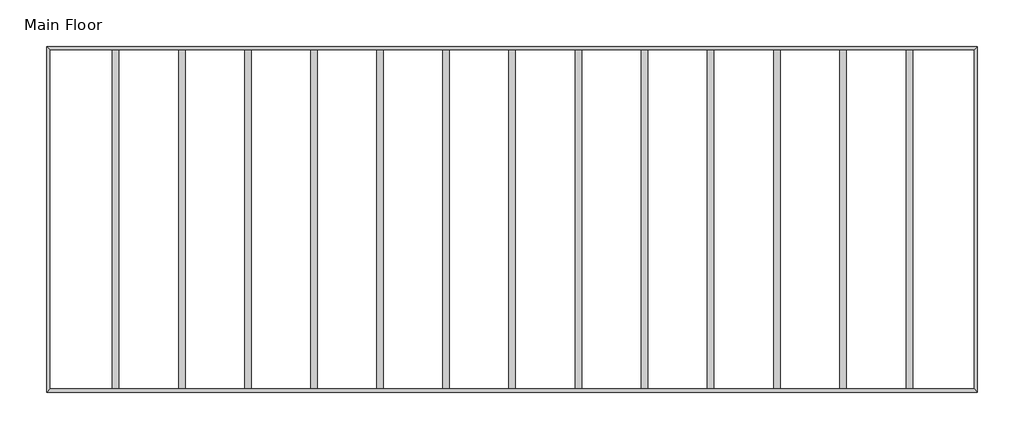
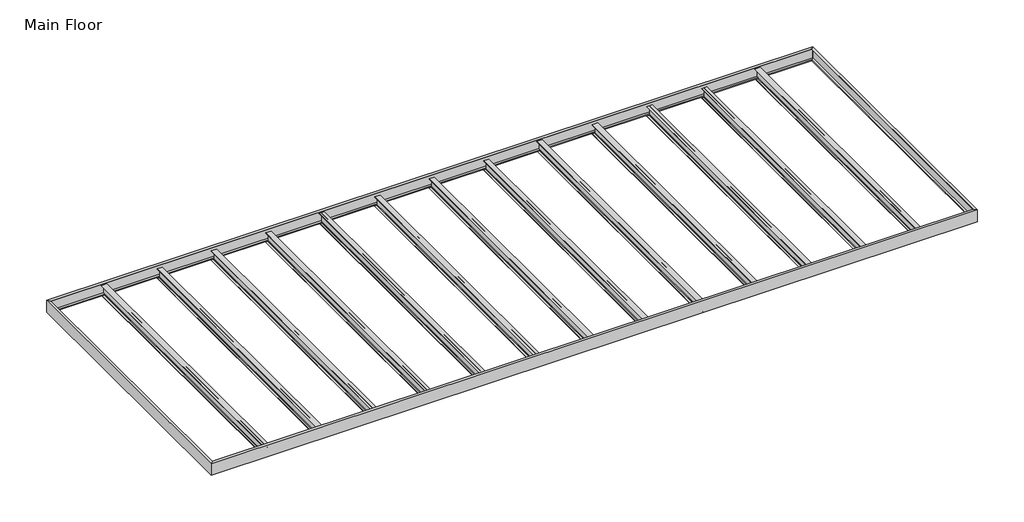
# One storey: 17 beams.
"""IFC4 building model written with IfcOpenShell, lengths in millimetres."""

import ifcopenshell
import ifcopenshell.guid

model = None  # the IFC model being written
_history = None  # IfcOwnerHistory: only IFC2X3 demands one
_inside = {}  # id of a spatial element -> (the spatial element, [elements in it])
_under = {}  # id of a project, library or spatial element -> (it, [spatial elements below it])
_declared = {}  # id of a project -> (the project, [libraries it declares])
_typed = {}  # id of a type object -> (the type object, [elements of that type])
_made_of = {}  # id of a material, layer set ... -> (it, [elements and type objects made of it])


def new_model(schema):
    """Start an empty IFC model of exactly this schema.

    Asked for "IFC4X3", IfcOpenShell would pick the latest addendum, in which some entities
    have other attributes; the version numbers below select the first issue.
    IFC2X3 requires an IfcOwnerHistory on every rooted entity: one is made here for all.
    """
    global model, _history
    if schema == "IFC4X3":
        model = ifcopenshell.file(schema_version=(4, 3, 0, 0))
    else:
        model = ifcopenshell.file(schema=schema)
    _inside.clear()
    _under.clear()
    _declared.clear()
    _typed.clear()
    _made_of.clear()
    _history = None
    if model.schema == "IFC2X3":
        org = make("IfcOrganization", Name="unknown")
        user = make(
            "IfcPersonAndOrganization",
            ThePerson=make("IfcPerson", FamilyName="unknown"),
            TheOrganization=org,
        )
        app = make(
            "IfcApplication",
            ApplicationDeveloper=org,
            Version="unknown",
            ApplicationFullName="unknown",
            ApplicationIdentifier="unknown",
        )
        _history = make(
            "IfcOwnerHistory",
            OwningUser=user,
            OwningApplication=app,
            ChangeAction="ADDED",
            CreationDate=0,
        )
    return model


def make(cls, **values):
    """One entity of the class cls with the attributes given. An attribute that is None is left unset."""
    return model.create_entity(
        cls, **{name: value for name, value in values.items() if value is not None}
    )


def rooted(cls, **values):
    """An entity with a GlobalId (a new one), such as an element, a storey or a relation."""
    return make(cls, GlobalId=ifcopenshell.guid.new(), OwnerHistory=_history, **values)


def si_unit(unit_type, name, prefix=None):
    """IfcSIUnit, for example si_unit("LENGTHUNIT", "METRE", prefix="MILLI")."""
    return make("IfcSIUnit", UnitType=unit_type, Prefix=prefix, Name=name)


def assignment(units):
    """IfcUnitAssignment: the units of a project."""
    return None if units is None else make("IfcUnitAssignment", Units=units)


def point(xyz):
    """IfcCartesianPoint."""
    return None if xyz is None else make("IfcCartesianPoint", Coordinates=xyz)


def direction(xyz):
    """IfcDirection."""
    return None if xyz is None else make("IfcDirection", DirectionRatios=xyz)


def frame(location, z_axis=None, x_axis=None):
    """IfcAxis2Placement3D, a coordinate frame: its origin and axes. An axis left out is left unset."""
    return make(
        "IfcAxis2Placement3D",
        Location=point(location),
        Axis=direction(z_axis),
        RefDirection=direction(x_axis),
    )


def frame_2d(location, x_axis=None):
    """IfcAxis2Placement2D, a coordinate frame in the plane: its origin and x axis."""
    return make(
        "IfcAxis2Placement2D", Location=point(location), RefDirection=direction(x_axis)
    )


def origin():
    """The frame at (0, 0, 0) with its axes left unset."""
    return frame((0.0, 0.0, 0.0))


def place(relative_to, where):
    """IfcLocalPlacement: puts the frame where relative to a parent placement (None: the world)."""
    return make(
        "IfcLocalPlacement", PlacementRelTo=relative_to, RelativePlacement=where
    )


def context(
    kind, dimensions, precision=None, world=None, true_north=None, identifier=None
):
    """IfcGeometricRepresentationContext, for example the 3D "Model" context."""
    return make(
        "IfcGeometricRepresentationContext",
        ContextIdentifier=identifier,
        ContextType=kind,
        CoordinateSpaceDimension=dimensions,
        Precision=precision,
        WorldCoordinateSystem=world,
        TrueNorth=true_north,
    )


def project(units=None, contexts=None):
    """IfcProject with its units and contexts."""
    return rooted(
        "IfcProject",
        Name="project",
        RepresentationContexts=contexts,
        UnitsInContext=assignment(units),
    )


def spatial(cls, under=None, at=None, **own):
    """A site, building, storey or space (cls), placed at a placement, below another one or the project."""
    s = rooted(cls, ObjectPlacement=at, **own)
    if under is not None:
        _under.setdefault(under.id(), (under, []))[1].append(s)
    return s


def polyline(points):
    """IfcPolyline through the points."""
    return make("IfcPolyline", Points=[point(p) for p in points])


def circle_curve(where, radius):
    """IfcCircle in the frame where."""
    return make("IfcCircle", Position=where, Radius=radius)


def ellipse_curve(where, semi_axis1, semi_axis2):
    """IfcEllipse in the frame where."""
    return make(
        "IfcEllipse", Position=where, SemiAxis1=semi_axis1, SemiAxis2=semi_axis2
    )


def trimmed(basis, trim1, trim2, sense, master):
    """IfcTrimmedCurve: the piece of a basis curve between two trims."""
    return make(
        "IfcTrimmedCurve",
        BasisCurve=basis,
        Trim1=trim1,
        Trim2=trim2,
        SenseAgreement=sense,
        MasterRepresentation=master,
    )


def segment(curve, same_sense, transition):
    """IfcCompositeCurveSegment."""
    return make(
        "IfcCompositeCurveSegment",
        Transition=transition,
        SameSense=same_sense,
        ParentCurve=curve,
    )


def composite_curve(segments, self_intersect=None):
    """IfcCompositeCurve: segments joined end to end."""
    return make("IfcCompositeCurve", Segments=segments, SelfIntersect=self_intersect)


def outline(outer, holes=None, kind="AREA"):
    """IfcArbitraryClosedProfileDef: a profile drawn as a closed curve; with holes, ...WithVoids."""
    if holes is None:
        return make("IfcArbitraryClosedProfileDef", ProfileType=kind, OuterCurve=outer)
    return make(
        "IfcArbitraryProfileDefWithVoids",
        ProfileType=kind,
        OuterCurve=outer,
        InnerCurves=holes,
    )


def extrude(swept, where, along, depth):
    """IfcExtrudedAreaSolid: the profile swept, set in the frame where, extruded along a direction by depth."""
    return make(
        "IfcExtrudedAreaSolid",
        SweptArea=swept,
        Position=where,
        ExtrudedDirection=direction(along),
        Depth=depth,
    )


def shape(context_of_items, identifier, shape_type, items):
    """IfcShapeRepresentation: the items that make up one representation, for example the "Body"."""
    return make(
        "IfcShapeRepresentation",
        ContextOfItems=context_of_items,
        RepresentationIdentifier=identifier,
        RepresentationType=shape_type,
        Items=items,
    )


def source(mapping_origin, context_of_items, identifier, shape_type, items):
    """IfcRepresentationMap: a shape defined once, which mapped items show again and again."""
    return make(
        "IfcRepresentationMap",
        MappingOrigin=mapping_origin,
        MappedRepresentation=shape(context_of_items, identifier, shape_type, items),
    )


def transform(
    local_origin,
    x_axis=None,
    y_axis=None,
    z_axis=None,
    scale=None,
    scale2=None,
    scale3=None,
    uniform=True,
):
    """IfcCartesianTransformationOperator3D, or its non-uniform kind. x_axis, y_axis, z_axis: its Axis1, 2, 3."""
    if uniform:
        return make(
            "IfcCartesianTransformationOperator3D",
            Axis1=direction(x_axis),
            Axis2=direction(y_axis),
            LocalOrigin=point(local_origin),
            Scale=scale,
            Axis3=direction(z_axis),
        )
    return make(
        "IfcCartesianTransformationOperator3DnonUniform",
        Axis1=direction(x_axis),
        Axis2=direction(y_axis),
        LocalOrigin=point(local_origin),
        Scale=scale,
        Axis3=direction(z_axis),
        Scale2=scale2,
        Scale3=scale3,
    )


def mapped(mapping_source, mapping_target):
    """IfcMappedItem: shows the shape of a source again, moved by a transform."""
    return make(
        "IfcMappedItem", MappingSource=mapping_source, MappingTarget=mapping_target
    )


def made_of(thing, what):
    """Note that an element or type object is made of a material, layer set ...; save() writes the relation."""
    if what is not None:
        _made_of.setdefault(what.id(), (what, []))[1].append(thing)
    return thing


def element(
    cls,
    number,
    at=None,
    inside=None,
    cuts=None,
    type_object=None,
    material=None,
    context=None,
    identifier="Body",
    shape_type=None,
    held_by="IfcProductDefinitionShape",
    body=None,
    shapes=None,
    **own,
):
    """One element of the class cls, such as IfcWall. Its Tag is "e" and its number.

    at: its placement. inside: the storey or other place that contains it. cuts: it is an
    opening in that element (IfcRelVoidsElement). A single representation is given by context,
    identifier, shape_type and body (its items); several are given by shapes. held_by: the class
    of the entity that holds the representations. save() writes the other relations.
    """
    e = rooted(cls, Tag="e%d" % number, ObjectPlacement=at, **own)
    if body is not None:
        shapes = [shape(context, identifier, shape_type, body)]
    if shapes is not None:
        e.Representation = make(held_by, Representations=shapes)
    if inside is not None:
        _inside.setdefault(inside.id(), (inside, []))[1].append(e)
    if cuts is not None:
        rooted(
            "IfcRelVoidsElement", RelatingBuildingElement=cuts, RelatedOpeningElement=e
        )
    if type_object is not None:
        _typed.setdefault(type_object.id(), (type_object, []))[1].append(e)
    return made_of(e, material)


def aggregate(whole, parts):
    """IfcRelAggregates: a whole, such as a stair, and the parts it consists of."""
    return rooted("IfcRelAggregates", RelatingObject=whole, RelatedObjects=parts)


def save(model, path):
    """Write the relations noted so far, then the file.

    IfcRelAggregates (storeys below a building ...), IfcRelContainedInSpatialStructure (elements
    in a storey), IfcRelDefinesByType, IfcRelAssociatesMaterial and IfcRelDeclares: one each for
    every whole, place, type object, material and project.
    """
    for whole, parts in _under.values():
        aggregate(whole, parts)
    for where, things in _inside.values():
        rooted(
            "IfcRelContainedInSpatialStructure",
            RelatedElements=things,
            RelatingStructure=where,
        )
    for kind, things in _typed.values():
        rooted("IfcRelDefinesByType", RelatedObjects=things, RelatingType=kind)
    for what, things in _made_of.values():
        rooted("IfcRelAssociatesMaterial", RelatedObjects=things, RelatingMaterial=what)
    for by, libraries in _declared.values():
        rooted("IfcRelDeclares", RelatingContext=by, RelatedDefinitions=libraries)
    model.write(path)


def plane_surface(at):
    """IfcPlane: the flat surface through the origin of the frame at, square to its z axis."""
    return make("IfcPlane", Position=at)


def cylinder_surface(at, radius):
    """IfcCylindricalSurface: all points at the distance radius from the z axis of the frame at."""
    return make("IfcCylindricalSurface", Position=at, Radius=radius)


def advanced_brep(points, edges, surfaces, faces):
    """IfcAdvancedBrep: a solid bounded by faces that lie on surfaces and meet in shared edges.

    An edge is (start, end): straight between two places in points (the first is 0);
    or (start, end, curve); or (start, end, curve, False) where it runs against its curve.
    A face is (place in surfaces, loops), or (place, loops, False) where it looks against
    its surface's normal. A loop lists edges by number (the first is 1), with a minus sign
    where the edge is run from its end to its start. The first loop is the outer one.
    """
    corners = [point(p) for p in points]
    vertices = [make("IfcVertexPoint", VertexGeometry=c) for c in corners]
    made = []
    for start, end, *more in edges:
        made.append(
            make(
                "IfcEdgeCurve",
                EdgeStart=vertices[start],
                EdgeEnd=vertices[end],
                EdgeGeometry=more[0] if more else make("IfcPolyline", Points=[corners[start], corners[end]]),
                SameSense=more[1] if len(more) > 1 else True,
            )
        )
    hull = []
    for where, loops, *sense in faces:
        bounds = []
        for j, loop in enumerate(loops):
            ring = [make("IfcOrientedEdge", EdgeElement=made[abs(k) - 1], Orientation=k > 0) for k in loop]
            bounds.append(
                make(
                    "IfcFaceOuterBound" if j == 0 else "IfcFaceBound",
                    Bound=make("IfcEdgeLoop", EdgeList=ring),
                    Orientation=True,
                )
            )
        hull.append(make("IfcAdvancedFace", Bounds=bounds, FaceSurface=surfaces[where], SameSense=sense[0] if sense else True))
    return make("IfcAdvancedBrep", Outer=make("IfcClosedShell", CfsFaces=hull))


def w_wide_flange_w12x26_d7689485(model_context):
    return source(origin(), model_context, "Body", "SweptSolid", [
        extrude(outline(composite_curve([segment(polyline([(82.4011719, -145.5539063), (82.4011719, -155.178125), (-82.4011719, -155.178125), (-82.4011719, -145.5539063), (-20.2902344, -145.5539063)]), True, "CONTINUOUS"), segment(trimmed(circle_curve(frame_2d((-20.2902344, -128.190625)), 17.3632812), [point((-20.2902344, -145.5539063))], [point((-2.9269531, -128.190625))], True, "CARTESIAN"), True, "CONTINUOUS"), segment(polyline([(-2.9269531, -128.190625), (-2.9269531, 128.190625)]), True, "CONTINUOUS"), segment(trimmed(circle_curve(frame_2d((-20.2902344, 128.190625)), 17.3632812), [point((-2.9269531, 128.190625))], [point((-20.2902344, 145.5539062))], True, "CARTESIAN"), True, "CONTINUOUS"), segment(polyline([(-20.2902344, 145.5539062), (-82.4011719, 145.5539062), (-82.4011719, 155.178125), (82.4011719, 155.178125), (82.4011719, 145.5539062), (20.2902344, 145.5539062)]), True, "CONTINUOUS"), segment(trimmed(circle_curve(frame_2d((20.2902344, 128.190625)), 17.3632812), [point((20.2902344, 145.5539062))], [point((2.9269531, 128.190625))], True, "CARTESIAN"), True, "CONTINUOUS"), segment(polyline([(2.9269531, 128.190625), (2.9269531, -128.190625)]), True, "CONTINUOUS"), segment(trimmed(circle_curve(frame_2d((20.2902344, -128.190625)), 17.3632812), [point((2.9269531, -128.190625))], [point((20.2902344, -145.5539063))], True, "CARTESIAN"), True, "CONTINUOUS"), segment(polyline([(20.2902344, -145.5539063), (82.4011719, -145.5539063)]), True, "CONTINUOUS")], self_intersect=False)), frame((-4289.7552, 0.0, 0.0), z_axis=(1.0, 0.0, 0.0), x_axis=(0.0, 1.0, 0.0)), (0.0, 0.0, 1.0), 8579.5104),
    ])


def w_wide_flange_w12x26_3cccf0f2(model_context):
    return source(origin(), model_context, "Body", "SweptSolid", [
        extrude(outline(composite_curve([segment(polyline([(82.4011719, -145.5539063), (82.4011719, -155.178125), (-82.4011719, -155.178125), (-82.4011719, -145.5539063), (-20.2902344, -145.5539063)]), True, "CONTINUOUS"), segment(trimmed(circle_curve(frame_2d((-20.2902344, -128.190625)), 17.3632812), [point((-20.2902344, -145.5539063))], [point((-2.9269531, -128.190625))], True, "CARTESIAN"), True, "CONTINUOUS"), segment(polyline([(-2.9269531, -128.190625), (-2.9269531, 128.190625)]), True, "CONTINUOUS"), segment(trimmed(circle_curve(frame_2d((-20.2902344, 128.190625)), 17.3632812), [point((-2.9269531, 128.190625))], [point((-20.2902344, 145.5539062))], True, "CARTESIAN"), True, "CONTINUOUS"), segment(polyline([(-20.2902344, 145.5539062), (-82.4011719, 145.5539062), (-82.4011719, 155.178125), (82.4011719, 155.178125), (82.4011719, 145.5539062), (20.2902344, 145.5539062)]), True, "CONTINUOUS"), segment(trimmed(circle_curve(frame_2d((20.2902344, 128.190625)), 17.3632812), [point((20.2902344, 145.5539062))], [point((2.9269531, 128.190625))], True, "CARTESIAN"), True, "CONTINUOUS"), segment(polyline([(2.9269531, 128.190625), (2.9269531, -128.190625)]), True, "CONTINUOUS"), segment(trimmed(circle_curve(frame_2d((20.2902344, -128.190625)), 17.3632812), [point((2.9269531, -128.190625))], [point((20.2902344, -145.5539063))], True, "CARTESIAN"), True, "CONTINUOUS"), segment(polyline([(20.2902344, -145.5539063), (82.4011719, -145.5539063)]), True, "CONTINUOUS")], self_intersect=False)), frame((-4356.1, 0.0, 0.0), z_axis=(1.0, 0.0, 0.0), x_axis=(0.0, 1.0, 0.0)), (0.0, 0.0, 1.0), 8712.2),
    ])


model = new_model("IFC4")

# Units and contexts
model_context = context("Model", 3, world=origin())
ifc_project = project(units=[si_unit("LENGTHUNIT", "METRE", prefix="MILLI")], contexts=[model_context])

# Site, building, storey
site = spatial("IfcSite", under=ifc_project)
building = spatial("IfcBuilding", under=site)
storey = spatial("IfcBuildingStorey", under=building, Name="Main Floor", Elevation=711.2)

# Beams
placement = place(None, origin())
element("IfcBeam", 1, ObjectType="C-Channel : C15X33.9", at=placement, inside=storey, context=model_context, shape_type="AdvancedBrep", body=[
    advanced_brep(
    [(30194.5802, 15789.6052, 711.2), (30280.9402, 15875.9652, 711.2), (6666.5348, 15875.9652, 711.2), (6752.8948, 15789.6052, 711.2), (30211.0902, 15806.1152, 694.69), (6736.3848, 15806.1152, 694.69), (30270.7802, 15865.8052, 685.2360328), (6676.6948, 15865.8052, 685.2360328), (30270.7802, 15865.8052, 356.1639672), (6676.6948, 15865.8052, 356.1639672), (30211.0902, 15806.1152, 346.71), (6736.3848, 15806.1152, 346.71), (30194.5802, 15789.6052, 330.2), (6752.8948, 15789.6052, 330.2), (30280.9402, 15875.9652, 330.2), (6666.5348, 15875.9652, 330.2)],
    [
        (0, 1),
        (1, 2),
        (2, 3),
        (3, 0),
        (4, 0, ellipse_curve(frame((30211.0902, 15806.1152, 711.2), z_axis=(-0.7071067811865387, 0.7071067811865563, 0.0), x_axis=(-0.7071067811865562, -0.7071067811865387, 0.0)), 23.3486659, 16.51)),
        (3, 5, ellipse_curve(frame((6736.3848, 15806.1152, 711.2), z_axis=(0.7071067811865476, 0.7071067811865476, 0.0), x_axis=(-0.7071067811865474, 0.7071067811865476, 0.0)), 23.3486659, 16.51)),
        (5, 4),
        (6, 4),
        (5, 7),
        (7, 6),
        (8, 6),
        (7, 9),
        (9, 8),
        (10, 8),
        (9, 11),
        (11, 10),
        (12, 10, ellipse_curve(frame((30211.0902, 15806.1152, 330.2), z_axis=(-0.7071067811865387, 0.7071067811865563, 0.0), x_axis=(-0.7071067811865562, -0.7071067811865387, 0.0)), 23.3486659, 16.51)),
        (11, 13, ellipse_curve(frame((6736.3848, 15806.1152, 330.2), z_axis=(0.7071067811865476, 0.7071067811865476, 0.0), x_axis=(-0.7071067811865474, 0.7071067811865476, 0.0)), 23.3486659, 16.51)),
        (13, 12),
        (14, 12),
        (13, 15),
        (15, 14),
        (1, 14),
        (15, 2),
    ],
    [
        plane_surface(frame((30260.925, 15832.7852, 711.2), z_axis=(0.0, 0.0, 1.0), x_axis=(0.0, -1.0, 0.0))),
        cylinder_surface(frame((30260.925, 15806.1152, 711.2), z_axis=(-1.0, 0.0, 0.0), x_axis=(0.0, 0.0, -1.0)), 16.51),
        plane_surface(frame((30260.925, 15835.9602, 689.9630164), z_axis=(0.0, -0.15643446504022748, -0.9876883405951383), x_axis=(0.0, 0.9876883405951383, -0.15643446504022748))),
        plane_surface(frame((30260.925, 15865.8052, 520.7), z_axis=(0.0, -1.0, 0.0), x_axis=(0.0, 0.0, -1.0))),
        plane_surface(frame((30260.925, 15835.9602, 351.4369836), z_axis=(0.0, -0.15643446504023373, 0.9876883405951373), x_axis=(0.0, -0.9876883405951373, -0.15643446504023373))),
        cylinder_surface(frame((30260.925, 15806.1152, 330.2), z_axis=(-1.0, 0.0, 0.0), x_axis=(0.0, -1.0, 0.0)), 16.51),
        plane_surface(frame((30260.925, 15832.7852, 330.2), z_axis=(0.0, 0.0, -1.0), x_axis=(0.0, 1.0, 0.0))),
        plane_surface(frame((30260.925, 15875.9652, 520.7), z_axis=(0.0, 1.0, 0.0), x_axis=(0.0, 0.0, 1.0))),
        plane_surface(frame((30194.5802, 15789.6052, 711.2), z_axis=(0.7071067811865387, -0.7071067811865563, 0.0), x_axis=(0.7071067811865563, 0.7071067811865387, 0.0))),
        plane_surface(frame((6752.8948, 15789.6052, 711.2), z_axis=(-0.7071067811865476, -0.7071067811865476, 0.0), x_axis=(0.7071067811865476, -0.7071067811865476, 0.0))),
    ],
    [
        (0, [[1, 2, 3, 4]]),
        (1, [[5, -4, 6, 7]]),
        (2, [[8, -7, 9, 10]]),
        (3, [[11, -10, 12, 13]]),
        (4, [[14, -13, 15, 16]]),
        (5, [[17, -16, 18, 19]]),
        (6, [[20, -19, 21, 22]]),
        (7, [[23, -22, 24, -2]]),
        (8, [[-1, -5, -8, -11, -14, -17, -20, -23]]),
        (9, [[-24, -21, -18, -15, -12, -9, -6, -3]]),
    ],
),
])
element("IfcBeam", 2, ObjectType="C-Channel : C15X33.9", at=placement, inside=storey, context=model_context, shape_type="AdvancedBrep", body=[
    advanced_brep(
    [(6752.8948, 7184.6948, 711.2), (6666.5348, 7098.3348, 711.2), (30280.9402, 7098.3348, 711.2), (30194.5802, 7184.6948, 711.2), (6736.3848, 7168.1848, 694.69), (30211.0902, 7168.1848, 694.69), (6676.6948, 7108.4948, 685.2360328), (30270.7802, 7108.4948, 685.2360328), (6676.6948, 7108.4948, 356.1639672), (30270.7802, 7108.4948, 356.1639672), (6736.3848, 7168.1848, 346.71), (30211.0902, 7168.1848, 346.71), (6752.8948, 7184.6948, 330.2), (30194.5802, 7184.6948, 330.2), (6666.5348, 7098.3348, 330.2), (30280.9402, 7098.3348, 330.2)],
    [
        (0, 1),
        (1, 2),
        (2, 3),
        (3, 0),
        (4, 0, ellipse_curve(frame((6736.3848, 7168.1848, 711.2), z_axis=(0.7071067811865387, -0.7071067811865563, 0.0), x_axis=(0.7071067811865562, 0.7071067811865387, 0.0)), 23.3486659, 16.51)),
        (3, 5, ellipse_curve(frame((30211.0902, 7168.1848, 711.2), z_axis=(-0.7071067811865387, -0.7071067811865563, 0.0), x_axis=(0.7071067811865562, -0.7071067811865387, 0.0)), 23.3486659, 16.51)),
        (5, 4),
        (6, 4),
        (5, 7),
        (7, 6),
        (8, 6),
        (7, 9),
        (9, 8),
        (10, 8),
        (9, 11),
        (11, 10),
        (12, 10, ellipse_curve(frame((6736.3848, 7168.1848, 330.2), z_axis=(0.7071067811865387, -0.7071067811865563, 0.0), x_axis=(0.7071067811865562, 0.7071067811865387, 0.0)), 23.3486659, 16.51)),
        (11, 13, ellipse_curve(frame((30211.0902, 7168.1848, 330.2), z_axis=(-0.7071067811865387, -0.7071067811865563, 0.0), x_axis=(0.7071067811865562, -0.7071067811865387, 0.0)), 23.3486659, 16.51)),
        (13, 12),
        (14, 12),
        (13, 15),
        (15, 14),
        (1, 14),
        (15, 2),
    ],
    [
        plane_surface(frame((6686.55, 7141.5148, 711.2), z_axis=(0.0, 0.0, 1.0), x_axis=(0.0, 1.0, 0.0))),
        cylinder_surface(frame((6686.55, 7168.1848, 711.2), z_axis=(1.0, 0.0, 0.0), x_axis=(0.0, 0.0, -1.0)), 16.51),
        plane_surface(frame((6686.55, 7138.3398, 689.9630164), z_axis=(0.0, 0.15643446504022748, -0.9876883405951383), x_axis=(0.0, -0.9876883405951383, -0.15643446504022748))),
        plane_surface(frame((6686.55, 7108.4948, 520.7), z_axis=(0.0, 1.0, 0.0), x_axis=(0.0, 0.0, -1.0))),
        plane_surface(frame((6686.55, 7138.3398, 351.4369836), z_axis=(0.0, 0.15643446504023373, 0.9876883405951373), x_axis=(0.0, 0.9876883405951373, -0.15643446504023373))),
        cylinder_surface(frame((6686.55, 7168.1848, 330.2), z_axis=(1.0, 0.0, 0.0), x_axis=(0.0, 1.0, 0.0)), 16.51),
        plane_surface(frame((6686.55, 7141.5148, 330.2), z_axis=(0.0, 0.0, -1.0), x_axis=(0.0, -1.0, 0.0))),
        plane_surface(frame((6686.55, 7098.3348, 520.7), z_axis=(0.0, -1.0, 0.0), x_axis=(0.0, 0.0, 1.0))),
        plane_surface(frame((30194.5802, 7184.6948, 711.2), z_axis=(0.7071067811865387, 0.7071067811865563, 0.0), x_axis=(0.7071067811865563, -0.7071067811865387, 0.0))),
        plane_surface(frame((6752.8948, 7184.6948, 711.2), z_axis=(-0.7071067811865387, 0.7071067811865563, 0.0), x_axis=(0.7071067811865563, 0.7071067811865387, 0.0))),
    ],
    [
        (0, [[1, 2, 3, 4]]),
        (1, [[5, -4, 6, 7]]),
        (2, [[8, -7, 9, 10]]),
        (3, [[11, -10, 12, 13]]),
        (4, [[14, -13, 15, 16]]),
        (5, [[17, -16, 18, 19]]),
        (6, [[20, -19, 21, 22]]),
        (7, [[23, -22, 24, -2]]),
        (8, [[-24, -21, -18, -15, -12, -9, -6, -3]]),
        (9, [[-1, -5, -8, -11, -14, -17, -20, -23]]),
    ],
),
])
element("IfcBeam", 3, ObjectType="C-Channel : C15X33.9", at=placement, inside=storey, context=model_context, shape_type="AdvancedBrep", body=[
    advanced_brep(
    [(6752.8948, 15789.6052, 711.2), (6666.5348, 15875.9652, 711.2), (6666.5348, 7098.3348, 711.2), (6752.8948, 7184.6948, 711.2), (6736.3848, 15806.1152, 694.69), (6736.3848, 7168.1848, 694.69), (6676.6948, 15865.8052, 685.2360328), (6676.6948, 7108.4948, 685.2360328), (6676.6948, 15865.8052, 356.1639672), (6676.6948, 7108.4948, 356.1639672), (6736.3848, 15806.1152, 346.71), (6736.3848, 7168.1848, 346.71), (6752.8948, 15789.6052, 330.2), (6752.8948, 7184.6948, 330.2), (6666.5348, 15875.9652, 330.2), (6666.5348, 7098.3348, 330.2)],
    [
        (0, 1),
        (1, 2),
        (2, 3),
        (3, 0),
        (4, 0, ellipse_curve(frame((6736.3848, 15806.1152, 711.2), z_axis=(-0.7071067811865476, -0.7071067811865476, 0.0), x_axis=(-0.7071067811865476, 0.7071067811865474, 0.0)), 23.3486659, 16.51)),
        (3, 5, ellipse_curve(frame((6736.3848, 7168.1848, 711.2), z_axis=(-0.7071067811865476, 0.7071067811865476, 0.0), x_axis=(0.7071067811865476, 0.7071067811865474, 0.0)), 23.3486659, 16.51)),
        (5, 4),
        (6, 4),
        (5, 7),
        (7, 6),
        (8, 6),
        (7, 9),
        (9, 8),
        (10, 8),
        (9, 11),
        (11, 10),
        (12, 10, ellipse_curve(frame((6736.3848, 15806.1152, 330.2), z_axis=(-0.7071067811865476, -0.7071067811865476, 0.0), x_axis=(-0.7071067811865476, 0.7071067811865474, 0.0)), 23.3486659, 16.51)),
        (11, 13, ellipse_curve(frame((6736.3848, 7168.1848, 330.2), z_axis=(-0.7071067811865476, 0.7071067811865476, 0.0), x_axis=(0.7071067811865476, 0.7071067811865474, 0.0)), 23.3486659, 16.51)),
        (13, 12),
        (14, 12),
        (13, 15),
        (15, 14),
        (1, 14),
        (15, 2),
    ],
    [
        plane_surface(frame((6666.5348, 15855.95, 711.2), z_axis=(0.0, 0.0, 1.0), x_axis=(0.0, -1.0, 0.0))),
        cylinder_surface(frame((6736.3848, 15855.95, 711.2), z_axis=(0.0, 1.0, 0.0), x_axis=(1.0, 0.0, 0.0)), 16.51),
        plane_surface(frame((6736.3848, 15855.95, 694.69), z_axis=(0.15643446504022748, 0.0, -0.9876883405951383), x_axis=(0.0, -1.0, 0.0))),
        plane_surface(frame((6676.6948, 15855.95, 685.2360328), z_axis=(1.0, 0.0, 0.0), x_axis=(0.0, -1.0, 0.0))),
        plane_surface(frame((6676.6948, 15855.95, 356.1639672), z_axis=(0.15643446504023378, 0.0, 0.9876883405951373), x_axis=(0.0, -1.0, 0.0))),
        cylinder_surface(frame((6736.3848, 15855.95, 330.2), z_axis=(0.0, 1.0, 0.0), x_axis=(1.0, 0.0, 0.0)), 16.51),
        plane_surface(frame((6752.8948, 15855.95, 330.2), z_axis=(0.0, 0.0, -1.0), x_axis=(0.0, -1.0, 0.0))),
        plane_surface(frame((6666.5348, 15855.95, 330.2), z_axis=(-1.0, 0.0, 0.0), x_axis=(0.0, -1.0, 0.0))),
        plane_surface(frame((6752.8948, 7184.6948, 711.2), z_axis=(0.7071067811865476, -0.7071067811865476, 0.0), x_axis=(0.7071067811865476, 0.7071067811865476, 0.0))),
        plane_surface(frame((6752.8948, 15789.6052, 711.2), z_axis=(0.7071067811865476, 0.7071067811865476, 0.0), x_axis=(0.7071067811865476, -0.7071067811865476, 0.0))),
    ],
    [
        (0, [[1, 2, 3, 4]]),
        (1, [[5, -4, 6, 7]]),
        (2, [[8, -7, 9, 10]]),
        (3, [[11, -10, 12, 13]]),
        (4, [[14, -13, 15, 16]]),
        (5, [[17, -16, 18, 19]]),
        (6, [[20, -19, 21, 22]]),
        (7, [[23, -22, 24, -2]]),
        (8, [[-24, -21, -18, -15, -12, -9, -6, -3]]),
        (9, [[-1, -5, -8, -11, -14, -17, -20, -23]]),
    ],
),
])
element("IfcBeam", 4, ObjectType="C-Channel : C15X33.9", at=placement, inside=storey, context=model_context, shape_type="AdvancedBrep", body=[
    advanced_brep(
    [(30194.5802, 7184.6948, 711.2), (30280.9402, 7098.3348, 711.2), (30280.9402, 15875.9652, 711.2), (30194.5802, 15789.6052, 711.2), (30211.0902, 7168.1848, 694.69), (30211.0902, 15806.1152, 694.69), (30270.7802, 7108.4948, 685.2360328), (30270.7802, 15865.8052, 685.2360328), (30270.7802, 7108.4948, 356.1639672), (30270.7802, 15865.8052, 356.1639672), (30211.0902, 7168.1848, 346.71), (30211.0902, 15806.1152, 346.71), (30194.5802, 7184.6948, 330.2), (30194.5802, 15789.6052, 330.2), (30280.9402, 7098.3348, 330.2), (30280.9402, 15875.9652, 330.2)],
    [
        (0, 1),
        (1, 2),
        (2, 3),
        (3, 0),
        (4, 0, ellipse_curve(frame((30211.0902, 7168.1848, 711.2), z_axis=(0.7071067811865387, 0.7071067811865563, 0.0), x_axis=(0.7071067811865563, -0.7071067811865388, 0.0)), 23.3486659, 16.51)),
        (3, 5, ellipse_curve(frame((30211.0902, 15806.1152, 711.2), z_axis=(0.7071067811865387, -0.7071067811865563, 0.0), x_axis=(-0.7071067811865563, -0.7071067811865388, 0.0)), 23.3486659, 16.51)),
        (5, 4),
        (6, 4),
        (5, 7),
        (7, 6),
        (8, 6),
        (7, 9),
        (9, 8),
        (10, 8),
        (9, 11),
        (11, 10),
        (12, 10, ellipse_curve(frame((30211.0902, 7168.1848, 330.2), z_axis=(0.7071067811865387, 0.7071067811865563, 0.0), x_axis=(0.7071067811865563, -0.7071067811865388, 0.0)), 23.3486659, 16.51)),
        (11, 13, ellipse_curve(frame((30211.0902, 15806.1152, 330.2), z_axis=(0.7071067811865387, -0.7071067811865563, 0.0), x_axis=(-0.7071067811865563, -0.7071067811865388, 0.0)), 23.3486659, 16.51)),
        (13, 12),
        (14, 12),
        (13, 15),
        (15, 14),
        (1, 14),
        (15, 2),
    ],
    [
        plane_surface(frame((30280.9402, 7118.35, 711.2), z_axis=(0.0, 0.0, 1.0), x_axis=(0.0, 1.0, 0.0))),
        cylinder_surface(frame((30211.0902, 7118.35, 711.2), z_axis=(0.0, -1.0, 0.0), x_axis=(-1.0, 0.0, 0.0)), 16.51),
        plane_surface(frame((30211.0902, 7118.35, 694.69), z_axis=(-0.15643446504022748, 0.0, -0.9876883405951383), x_axis=(0.0, 1.0, 0.0))),
        plane_surface(frame((30270.7802, 7118.35, 685.2360328), z_axis=(-1.0, 0.0, 0.0), x_axis=(0.0, 1.0, 0.0))),
        plane_surface(frame((30270.7802, 7118.35, 356.1639672), z_axis=(-0.15643446504023378, 0.0, 0.9876883405951373), x_axis=(0.0, 1.0, 0.0))),
        cylinder_surface(frame((30211.0902, 7118.35, 330.2), z_axis=(0.0, -1.0, 0.0), x_axis=(-1.0, 0.0, 0.0)), 16.51),
        plane_surface(frame((30194.5802, 7118.35, 330.2), z_axis=(0.0, 0.0, -1.0), x_axis=(0.0, 1.0, 0.0))),
        plane_surface(frame((30280.9402, 7118.35, 330.2), z_axis=(1.0, 0.0, 0.0), x_axis=(0.0, 1.0, 0.0))),
        plane_surface(frame((30194.5802, 15789.6052, 711.2), z_axis=(-0.7071067811865387, 0.7071067811865563, 0.0), x_axis=(0.7071067811865563, 0.7071067811865387, 0.0))),
        plane_surface(frame((30194.5802, 7184.6948, 711.2), z_axis=(-0.7071067811865387, -0.7071067811865563, 0.0), x_axis=(0.7071067811865563, -0.7071067811865387, 0.0))),
    ],
    [
        (0, [[1, 2, 3, 4]]),
        (1, [[5, -4, 6, 7]]),
        (2, [[8, -7, 9, 10]]),
        (3, [[11, -10, 12, 13]]),
        (4, [[14, -13, 15, 16]]),
        (5, [[17, -16, 18, 19]]),
        (6, [[20, -19, 21, 22]]),
        (7, [[23, -22, 24, -2]]),
        (8, [[-24, -21, -18, -15, -12, -9, -6, -3]]),
        (9, [[-1, -5, -8, -11, -14, -17, -20, -23]]),
    ],
),
])
w_wide_flange_w12x26_shape = w_wide_flange_w12x26_d7689485(model_context)
element("IfcBeam", 5, ObjectType="W-Wide Flange : W12X26", at=placement, inside=storey, context=model_context, shape_type="MappedRepresentation", body=[
    mapped(w_wide_flange_w12x26_shape, transform((10096.5, 11487.15, 467.121875), x_axis=(0.0, -1.0, 0.0), y_axis=(1.0, 0.0, 0.0), z_axis=(0.0, 0.0, 1.0))),
])
element("IfcBeam", 6, ObjectType="W-Wide Flange : W12X26", at=placement, inside=storey, context=model_context, shape_type="MappedRepresentation", body=[
    mapped(w_wide_flange_w12x26_shape, transform((11772.9, 11487.15, 467.121875), x_axis=(0.0, -1.0, 0.0), y_axis=(1.0, 0.0, 0.0), z_axis=(0.0, 0.0, 1.0))),
])
element("IfcBeam", 7, ObjectType="W-Wide Flange : W12X26", at=placement, inside=storey, context=model_context, shape_type="MappedRepresentation", body=[
    mapped(w_wide_flange_w12x26_shape, transform((13449.3, 11487.15, 467.121875), x_axis=(0.0, -1.0, 0.0), y_axis=(1.0, 0.0, 0.0), z_axis=(0.0, 0.0, 1.0))),
])
element("IfcBeam", 8, ObjectType="W-Wide Flange : W12X26", at=placement, inside=storey, context=model_context, shape_type="MappedRepresentation", body=[
    mapped(w_wide_flange_w12x26_shape, transform((16802.1, 11487.15, 467.121875), x_axis=(0.0, -1.0, 0.0), y_axis=(1.0, 0.0, 0.0), z_axis=(0.0, 0.0, 1.0))),
])
element("IfcBeam", 9, ObjectType="W-Wide Flange : W12X26", at=placement, inside=storey, context=model_context, shape_type="MappedRepresentation", body=[
    mapped(w_wide_flange_w12x26_shape, transform((18478.5, 11487.15, 467.121875), x_axis=(0.0, -1.0, 0.0), y_axis=(1.0, 0.0, 0.0), z_axis=(0.0, 0.0, 1.0))),
])
element("IfcBeam", 10, ObjectType="W-Wide Flange : W12X26", at=placement, inside=storey, context=model_context, shape_type="MappedRepresentation", body=[
    mapped(w_wide_flange_w12x26_shape, transform((20154.9, 11487.15, 467.121875), x_axis=(0.0, -1.0, 0.0), y_axis=(1.0, 0.0, 0.0), z_axis=(0.0, 0.0, 1.0))),
])
element("IfcBeam", 11, ObjectType="W-Wide Flange : W12X26", at=placement, inside=storey, context=model_context, shape_type="MappedRepresentation", body=[
    mapped(w_wide_flange_w12x26_shape, transform((23511.66875, 11487.15, 467.121875), x_axis=(0.0, -1.0, 0.0), y_axis=(1.0, 0.0, 0.0), z_axis=(0.0, 0.0, 1.0))),
])
element("IfcBeam", 12, ObjectType="W-Wide Flange : W12X26", at=placement, inside=storey, context=model_context, shape_type="MappedRepresentation", body=[
    mapped(w_wide_flange_w12x26_shape, transform((25192.0375, 11487.15, 467.121875), x_axis=(0.0, -1.0, 0.0), y_axis=(1.0, 0.0, 0.0), z_axis=(0.0, 0.0, 1.0))),
])
element("IfcBeam", 13, ObjectType="W-Wide Flange : W12X26", at=placement, inside=storey, context=model_context, shape_type="MappedRepresentation", body=[
    mapped(w_wide_flange_w12x26_shape, transform((26872.40625, 11487.15, 467.121875), x_axis=(0.0, -1.0, 0.0), y_axis=(1.0, 0.0, 0.0), z_axis=(0.0, 0.0, 1.0))),
])
w_wide_flange_w12x26_2_shape = w_wide_flange_w12x26_3cccf0f2(model_context)
element("IfcBeam", 14, ObjectType="W-Wide Flange : W12X26", at=placement, inside=storey, context=model_context, shape_type="MappedRepresentation", body=[
    mapped(w_wide_flange_w12x26_2_shape, transform((8420.1, 11487.15, 472.678125), x_axis=(0.0, -1.0, 0.0), y_axis=(1.0, 0.0, 0.0), z_axis=(0.0, 0.0, 1.0))),
])
element("IfcBeam", 15, ObjectType="W-Wide Flange : W12X26", at=placement, inside=storey, context=model_context, shape_type="MappedRepresentation", body=[
    mapped(w_wide_flange_w12x26_2_shape, transform((15125.7, 11487.15, 472.678125), x_axis=(0.0, -1.0, 0.0), y_axis=(1.0, 0.0, 0.0), z_axis=(0.0, 0.0, 1.0))),
])
element("IfcBeam", 16, ObjectType="W-Wide Flange : W12X26", at=placement, inside=storey, context=model_context, shape_type="MappedRepresentation", body=[
    mapped(w_wide_flange_w12x26_2_shape, transform((21831.3, 11487.15, 472.678125), x_axis=(0.0, -1.0, 0.0), y_axis=(1.0, 0.0, 0.0), z_axis=(0.0, 0.0, 1.0))),
])
element("IfcBeam", 17, ObjectType="W-Wide Flange : W12X26", at=placement, inside=storey, context=model_context, shape_type="MappedRepresentation", body=[
    mapped(w_wide_flange_w12x26_2_shape, transform((28552.775, 11487.15, 472.678125), x_axis=(0.0, -1.0, 0.0), y_axis=(1.0, 0.0, 0.0), z_axis=(0.0, 0.0, 1.0))),
])

save(model, "model.ifc")
